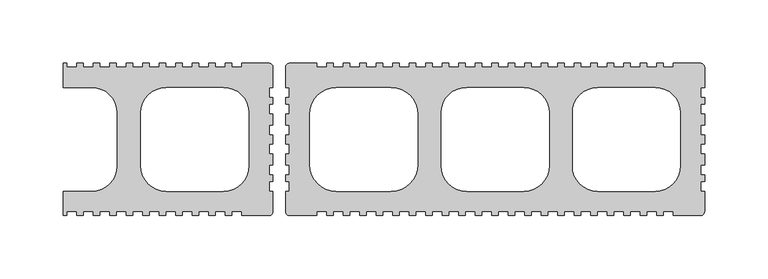
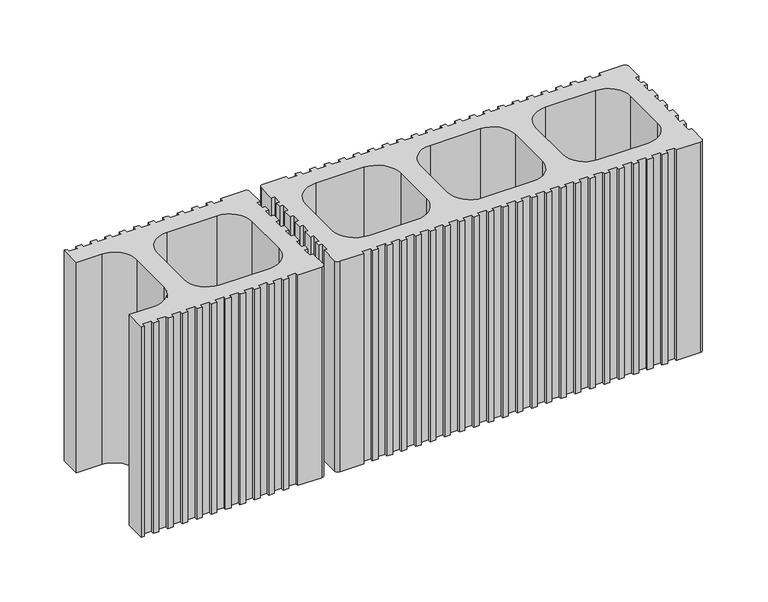
"""IFC4 building model written with IfcOpenShell, lengths in millimetres: plate geometry."""

from ifc_helpers import new_model, si_unit, point, frame_2d, origin, origin_with_axes, place, context, project, spatial, polyline, circle_curve, trimmed, segment, composite_curve, outline, extrude, source, transform, mapped, element, save


def plate_b9c3d11d(model_context):
    return source(origin(), model_context, "Body", "SweptSolid", [
        extrude(outline(composite_curve([segment(polyline([(-114.4998028, -60.0005091), (-114.4998028, -57.0004994), (-122.4998151, -57.0004994), (-122.4998151, -60.0005091), (-127.4998563, -60.0005091), (-127.4998563, -57.0004994), (-135.4998685, -57.0004994), (-135.4998685, -60.0005091), (-140.4998799, -60.0005091), (-140.4998799, -57.0004994), (-148.499922, -57.0004994), (-148.499922, -60.0005091), (-153.4999334, -60.0005091), (-153.4999334, -57.0004994), (-161.4999457, -57.0004994), (-161.4999457, -60.0005091), (-166.499957, -60.0005091), (-166.499957, -57.0004994), (-174.4999991, -57.0004994), (-174.4999991, -60.0005091), (-179.5000105, -60.0005091), (-179.5000105, -57.0004994), (-187.5000377, -57.0004994), (-187.5000377, -60.0005091), (-192.5000491, -60.0005091), (-192.5000491, -57.0004994), (-200.5000762, -57.0004994), (-200.5000762, -60.0005091), (-205.5001025, -60.0005091), (-205.5001025, -57.0004994), (-213.5001297, -57.0004994), (-213.5001297, -60.0005091), (-218.5001411, -60.0005091), (-218.5001411, -57.0004994), (-226.5001683, -57.0004994), (-226.5001683, -60.0005091), (-231.5001797, -60.0005091), (-231.5001797, -57.0004994), (-239.5002068, -57.0004994), (-239.5002068, -60.0005091), (-244.5002182, -60.0005091), (-244.5002182, -57.0004994), (-252.5002454, -57.0004994), (-252.5002454, -60.0005091), (-255.0002548, -60.0005091), (-255.0002548, -41.0005091), (-232.5001435, -41.0005091)]), True, "CONTINUOUS"), segment(trimmed(circle_curve(frame_2d((-232.5001435, -21.0004443)), 20.0000648), [point((-232.5001435, -41.0005091))], [point((-212.5000788, -21.0004443))], True, "CARTESIAN"), True, "CONTINUOUS"), segment(polyline([(-212.5000788, -21.0004443), (-212.5000788, 20.9998113)]), True, "CONTINUOUS"), segment(trimmed(circle_curve(frame_2d((-232.5001435, 20.9998113)), 20.0000648), [point((-212.5000788, 20.9998113))], [point((-232.5001435, 40.9998761))], True, "CARTESIAN"), True, "CONTINUOUS"), segment(polyline([(-232.5001435, 40.9998761), (-255.0002585, 40.9998761), (-255.0002585, 59.9998761), (-252.5002454, 59.9998761), (-252.5002454, 56.9998664), (-244.5002182, 56.9998664), (-244.5002182, 59.9998761), (-239.5002068, 59.9998761), (-239.5002068, 56.9998664), (-231.5001797, 56.9998664), (-231.5001797, 59.9998761), (-226.5001683, 59.9998761), (-226.5001683, 56.9998664), (-218.5001411, 56.9998664), (-218.5001411, 59.9998761), (-213.5001297, 59.9998761), (-213.5001297, 56.9998664), (-205.5001025, 56.9998664), (-205.5001025, 59.9998761), (-200.5000762, 59.9998761), (-200.5000762, 56.9998664), (-192.5000491, 56.9998664), (-192.5000491, 59.9998761), (-187.5000377, 59.9998761), (-187.5000377, 56.9998664), (-179.5000105, 56.9998664), (-179.5000105, 59.9998761), (-174.4999991, 59.9998761), (-174.4999991, 56.9998664), (-166.499957, 56.9998664), (-166.499957, 59.9998761), (-161.4999457, 59.9998761), (-161.4999457, 56.9998664), (-153.4999334, 56.9998664), (-153.4999334, 59.9998761), (-148.499922, 59.9998761), (-148.499922, 56.9998664), (-140.4998799, 56.9998664), (-140.4998799, 59.9998761), (-135.4998685, 59.9998761), (-135.4998685, 56.9998664), (-127.4998563, 56.9998664), (-127.4998563, 59.9998761), (-122.4998151, 59.9998761), (-122.4998151, 56.9998664), (-114.4998028, 56.9998664), (-114.4998028, 59.9998761), (-92.9997238, 59.9998761)]), True, "CONTINUOUS"), segment(trimmed(circle_curve(frame_2d((-92.9997238, 56.999871)), 3.0000051), [point((-92.9997238, 59.9998761))], [point((-89.9997187, 56.999871))], False, "CARTESIAN"), True, "CONTINUOUS"), segment(polyline([(-89.9997187, 56.999871), (-89.9997187, 40.9998209), (-92.9997284, 40.9998209), (-92.9997284, 32.9997937), (-89.9997187, 32.9997937), (-89.9997187, 27.9997749), (-92.9997284, 27.9997749), (-92.9997284, 19.9997477), (-89.9997187, 19.9997477), (-89.9997187, 11.4997254), (-92.9997284, 11.4997254), (-92.9997284, 3.4996982), (-89.9997187, 3.4996982), (-89.9997187, -3.5003274), (-92.9997284, -3.5003274), (-92.9997284, -11.5003508), (-89.9997187, -11.5003508), (-89.9997187, -20.0003806), (-92.9997284, -20.0003806), (-92.9997284, -28.0004041), (-89.9997187, -28.0004041), (-89.9997187, -33.0004211), (-92.9997284, -33.0004211), (-92.9997284, -41.0004482), (-89.9997187, -41.0004482), (-89.9997187, -57.0004994)]), True, "CONTINUOUS"), segment(trimmed(circle_curve(frame_2d((-92.9997284, -57.0004994)), 3.0000097), [point((-89.9997187, -57.0004994))], [point((-92.9997284, -60.0005091))], False, "CARTESIAN"), True, "CONTINUOUS"), segment(polyline([(-92.9997284, -60.0005091), (-114.4998028, -60.0005091)]), True, "CONTINUOUS")], self_intersect=False), holes=[composite_curve([segment(polyline([(-194.0000633, 20.9998113), (-194.0000633, -21.0004443)]), True, "CONTINUOUS"), segment(trimmed(circle_curve(frame_2d((-173.9999985, -21.0004443)), 20.0000648), [point((-194.0000633, -21.0004443))], [point((-173.9999985, -41.0005091))], True, "CARTESIAN"), True, "CONTINUOUS"), segment(polyline([(-173.9999985, -41.0005091), (-128.999776, -41.0005091)]), True, "CONTINUOUS"), segment(trimmed(circle_curve(frame_2d((-128.999776, -21.0004443)), 20.0000648), [point((-128.999776, -41.0005091))], [point((-108.9997112, -21.0004443))], True, "CARTESIAN"), True, "CONTINUOUS"), segment(polyline([(-108.9997112, -21.0004443), (-108.9997112, 20.9998113)]), True, "CONTINUOUS"), segment(trimmed(circle_curve(frame_2d((-128.999776, 20.9998113)), 20.0000648), [point((-108.9997112, 20.9998113))], [point((-128.999776, 40.9998761))], True, "CARTESIAN"), True, "CONTINUOUS"), segment(polyline([(-128.999776, 40.9998761), (-173.9999985, 40.9998761)]), True, "CONTINUOUS"), segment(trimmed(circle_curve(frame_2d((-173.9999985, 20.9998113)), 20.0000648), [point((-173.9999985, 40.9998761))], [point((-194.0000633, 20.9998113))], True, "CARTESIAN"), True, "CONTINUOUS")], self_intersect=False)]), origin_with_axes(), (0.0, 0.0, 1.0), 200.0),
        extrude(outline(composite_curve([segment(polyline([(-55.4998769, -60.0005091), (-76.9999458, -60.0005091)]), True, "CONTINUOUS"), segment(trimmed(circle_curve(frame_2d((-76.9999458, -57.0004994)), 3.0000097), [point((-76.9999458, -60.0005091))], [point((-79.9999555, -57.0004994))], False, "CARTESIAN"), True, "CONTINUOUS"), segment(polyline([(-79.9999555, -57.0004994), (-79.9999555, -41.0004483), (-76.9999457, -41.0004483), (-76.9999457, -33.0004211), (-79.9999555, -33.0004211), (-79.9999555, -28.0004041), (-76.9999457, -28.0004041), (-76.9999457, -20.0003807), (-79.9999555, -20.0003807), (-79.9999555, -11.5003509), (-76.9999457, -11.5003509), (-76.9999457, -3.5003274), (-79.9999555, -3.5003274), (-79.9999555, 3.4996982), (-76.9999457, 3.4996982), (-76.9999457, 11.4997254), (-79.9999555, 11.4997254), (-79.9999555, 19.9997477), (-76.9999457, 19.9997477), (-76.9999457, 27.9997749), (-79.9999555, 27.9997749), (-79.9999555, 32.9997937), (-76.9999457, 32.9997937), (-76.9999457, 40.9998209), (-79.9999555, 40.9998209), (-79.9999555, 56.999871)]), True, "CONTINUOUS"), segment(trimmed(circle_curve(frame_2d((-76.9999503, 56.999871)), 3.0000051), [point((-79.9999555, 56.999871))], [point((-76.9999503, 59.9998761))], False, "CARTESIAN"), True, "CONTINUOUS"), segment(polyline([(-76.9999503, 59.9998761), (-55.4998769, 59.9998761), (-55.4998769, 56.9998664), (-47.4998516, 56.9998664), (-47.4998516, 59.9998761), (-42.4998328, 59.9998761), (-42.4998328, 56.9998664), (-34.4998093, 56.9998664), (-34.4998093, 59.9998761), (-29.4997905, 59.9998761), (-29.4997905, 56.9998664), (-21.499767, 56.9998664), (-21.499767, 59.9998761), (-16.4997482, 59.9998761), (-16.4997482, 56.9998664), (-8.499721, 56.9998664), (-8.499721, 59.9998761), (-3.4997096, 59.9998761), (-3.4997096, 56.9998664), (4.5003175, 56.9998664), (4.5003175, 59.9998761), (9.5003364, 59.9998761), (9.5003364, 56.9998664), (17.5003561, 56.9998664), (17.5003561, 59.9998761), (22.500375, 59.9998761), (22.500375, 56.9998664), (30.5004021, 56.9998664), (30.5004021, 59.9998761), (35.500421, 59.9998761), (35.500421, 56.9998664), (43.5004407, 56.9998664), (43.5004407, 59.9998761), (48.5004595, 59.9998761), (48.5004595, 56.9998664), (56.5004867, 56.9998664), (56.5004867, 59.9998761), (61.5004981, 59.9998761), (61.5004981, 56.9998664), (69.5005253, 56.9998664), (69.5005253, 59.9998761), (74.5005367, 59.9998761), (74.5005367, 56.9998664), (82.5005638, 56.9998664), (82.5005638, 59.9998761), (87.5005901, 59.9998761), (87.5005901, 56.9998664), (95.5006173, 56.9998664), (95.5006173, 59.9998761), (100.5006287, 59.9998761), (100.5006287, 56.9998664), (108.5006559, 56.9998664), (108.5006559, 59.9998761), (113.5006673, 59.9998761), (113.5006673, 56.9998664), (121.5006944, 56.9998664), (121.5006944, 59.9998761), (126.5007058, 59.9998761), (126.5007058, 56.9998664), (134.500733, 56.9998664), (134.500733, 59.9998761), (139.5007593, 59.9998761), (139.5007593, 56.9998664), (147.5007864, 56.9998664), (147.5007864, 59.9998761), (152.5007978, 59.9998761), (152.5007978, 56.9998664), (160.500825, 56.9998664), (160.500825, 59.9998761), (165.5008364, 59.9998761), (165.5008364, 56.9998664), (173.5008785, 56.9998664), (173.5008785, 59.9998761), (178.5008899, 59.9998761), (178.5008899, 56.9998664), (186.5009021, 56.9998664), (186.5009021, 59.9998761), (191.5009135, 59.9998761), (191.5009135, 56.9998664), (199.5009556, 56.9998664), (199.5009556, 59.9998761), (204.500967, 59.9998761), (204.500967, 56.9998664), (212.5009793, 56.9998664), (212.5009793, 59.9998761), (217.5010205, 59.9998761), (217.5010205, 56.9998664), (225.5010327, 56.9998664), (225.5010327, 59.9998761), (247.0011118, 59.9998761)]), True, "CONTINUOUS"), segment(trimmed(circle_curve(frame_2d((247.0011118, 56.999871)), 3.0000051), [point((247.0011118, 59.9998761))], [point((250.0011169, 56.999871))], False, "CARTESIAN"), True, "CONTINUOUS"), segment(polyline([(250.0011169, 56.999871), (250.0011169, 40.9998209), (247.0011071, 40.9998209), (247.0011071, 32.9997937), (250.0011169, 32.9997937), (250.0011169, 27.9997749), (247.0011071, 27.9997749), (247.0011071, 19.9997477), (250.0011169, 19.9997477), (250.0011169, 11.4997254), (247.0011071, 11.4997254), (247.0011071, 3.4996982), (250.0011169, 3.4996982), (250.0011169, -3.5003274), (247.0011071, -3.5003274), (247.0011071, -11.5003509), (250.0011169, -11.5003509), (250.0011169, -20.0003807), (247.0011071, -20.0003807), (247.0011071, -28.0004041), (250.0011169, -28.0004041), (250.0011169, -33.0004211), (247.0011071, -33.0004211), (247.0011071, -41.0004482), (250.0011169, -41.0004482), (250.0011168, -57.0004994)]), True, "CONTINUOUS"), segment(trimmed(circle_curve(frame_2d((247.0011071, -57.0004994)), 3.0000097), [point((250.0011168, -57.0004994))], [point((247.0011071, -60.0005091))], False, "CARTESIAN"), True, "CONTINUOUS"), segment(polyline([(247.0011071, -60.0005091), (225.5010327, -60.0005091), (225.5010327, -57.0004994), (217.5010205, -57.0004994), (217.5010205, -60.0005091), (212.5009793, -60.0005091), (212.5009793, -57.0004994), (204.500967, -57.0004994), (204.500967, -60.0005091), (199.5009556, -60.0005091), (199.5009556, -57.0004994), (191.5009135, -57.0004994), (191.5009135, -60.0005091), (186.5009021, -60.0005091), (186.5009021, -57.0004994), (178.5008899, -57.0004994), (178.5008899, -60.0005091), (173.5008785, -60.0005091), (173.5008785, -57.0004994), (165.5008364, -57.0004994), (165.5008364, -60.0005091), (160.500825, -60.0005091), (160.500825, -57.0004994), (152.5007978, -57.0004994), (152.5007978, -60.0005091), (147.5007864, -60.0005091), (147.5007864, -57.0004994), (139.5007593, -57.0004994), (139.5007593, -60.0005091), (134.500733, -60.0005091), (134.500733, -57.0004994), (126.5007058, -57.0004994), (126.5007058, -60.0005091), (121.5006944, -60.0005091), (121.5006944, -57.0004994), (113.5006673, -57.0004994), (113.5006673, -60.0005091), (108.5006559, -60.0005091), (108.5006559, -57.0004994), (100.5006287, -57.0004994), (100.5006287, -60.0005091), (95.5006173, -60.0005091), (95.5006173, -57.0004994), (87.5005901, -57.0004994), (87.5005901, -60.0005091), (82.5005638, -60.0005091), (82.5005638, -57.0004994), (74.5005367, -57.0004994), (74.5005367, -60.0005091), (69.5005253, -60.0005091), (69.5005253, -57.0004994), (61.5004981, -57.0004994), (61.5004981, -60.0005091), (56.5004867, -60.0005091), (56.5004867, -57.0004994), (48.5004595, -57.0004994), (48.5004595, -60.0005091), (43.5004407, -60.0005091), (43.5004407, -57.0004994), (35.500421, -57.0004994), (35.500421, -60.0005091), (30.5004021, -60.0005091), (30.5004021, -57.0004994), (22.500375, -57.0004994), (22.500375, -60.0005091), (17.5003561, -60.0005091), (17.5003561, -57.0004994), (9.5003364, -57.0004994), (9.5003364, -60.0005091), (4.5003175, -60.0005091), (4.5003175, -57.0004994), (-3.4997096, -57.0004994), (-3.4997096, -60.0005091), (-8.499721, -60.0005091), (-8.499721, -57.0004994), (-16.4997482, -57.0004994), (-16.4997482, -60.0005091), (-21.499767, -60.0005091), (-21.499767, -57.0004994), (-29.4997905, -57.0004994), (-29.4997905, -60.0005091), (-34.4998093, -60.0005091), (-34.4998093, -57.0004994), (-42.4998328, -57.0004994), (-42.4998328, -60.0005091), (-47.4998516, -60.0005091), (-47.4998516, -57.0004994), (-55.4998769, -57.0004994), (-55.4998769, -60.0005091)]), True, "CONTINUOUS")], self_intersect=False), holes=[composite_curve([segment(trimmed(circle_curve(frame_2d((-39.9999555, -20.0005091)), 21.0), [point((-60.9999555, -20.0005091))], [point((-39.9999555, -41.0005091))], True, "CARTESIAN"), True, "CONTINUOUS"), segment(polyline([(-39.9999555, -41.0005091), (3.0003966, -41.0005091)]), True, "CONTINUOUS"), segment(trimmed(circle_curve(frame_2d((3.0003966, -20.0005091)), 21.0), [point((3.0003966, -41.0005091))], [point((24.0003966, -20.0005091))], True, "CARTESIAN"), True, "CONTINUOUS"), segment(polyline([(24.0003966, -20.0005091), (24.0003966, 19.9998761)]), True, "CONTINUOUS"), segment(trimmed(circle_curve(frame_2d((3.0003966, 19.9998761)), 21.0), [point((24.0003966, 19.9998761))], [point((3.0003966, 40.9998761))], True, "CARTESIAN"), True, "CONTINUOUS"), segment(polyline([(3.0003966, 40.9998761), (-39.9999555, 40.9998761)]), True, "CONTINUOUS"), segment(trimmed(circle_curve(frame_2d((-39.9999555, 19.9998761)), 21.0), [point((-39.9999555, 40.9998761))], [point((-60.9999555, 19.9998761))], True, "CARTESIAN"), True, "CONTINUOUS"), segment(polyline([(-60.9999555, 19.9998761), (-60.9999555, -20.0005091)]), True, "CONTINUOUS")], self_intersect=False), composite_curve([segment(trimmed(circle_curve(frame_2d((62.5004694, -21.0004443)), 20.0000648), [point((42.5004046, -21.0004443))], [point((62.5004694, -41.0005091))], True, "CARTESIAN"), True, "CONTINUOUS"), segment(polyline([(62.5004694, -41.0005091), (107.500692, -41.0005091)]), True, "CONTINUOUS"), segment(trimmed(circle_curve(frame_2d((107.500692, -21.0004443)), 20.0000648), [point((107.500692, -41.0005091))], [point((127.5007568, -21.0004443))], True, "CARTESIAN"), True, "CONTINUOUS"), segment(polyline([(127.5007568, -21.0004443), (127.5007568, 20.9998113)]), True, "CONTINUOUS"), segment(trimmed(circle_curve(frame_2d((107.500692, 20.9998113)), 20.0000648), [point((127.5007568, 20.9998113))], [point((107.500692, 40.9998761))], True, "CARTESIAN"), True, "CONTINUOUS"), segment(polyline([(107.500692, 40.9998761), (62.5004694, 40.9998761)]), True, "CONTINUOUS"), segment(trimmed(circle_curve(frame_2d((62.5004694, 20.9998113)), 20.0000648), [point((62.5004694, 40.9998761))], [point((42.5004046, 20.9998113))], True, "CARTESIAN"), True, "CONTINUOUS"), segment(polyline([(42.5004046, 20.9998113), (42.5004046, -21.0004443)]), True, "CONTINUOUS")], self_intersect=False), composite_curve([segment(polyline([(146.0007722, 20.9998113), (146.0007722, -21.0004443)]), True, "CONTINUOUS"), segment(trimmed(circle_curve(frame_2d((166.000837, -21.0004443)), 20.0000648), [point((146.0007722, -21.0004443))], [point((166.000837, -41.0005091))], True, "CARTESIAN"), True, "CONTINUOUS"), segment(polyline([(166.000837, -41.0005091), (211.0010596, -41.0005091)]), True, "CONTINUOUS"), segment(trimmed(circle_curve(frame_2d((211.0010596, -21.0004443)), 20.0000648), [point((211.0010596, -41.0005091))], [point((231.0011243, -21.0004443))], True, "CARTESIAN"), True, "CONTINUOUS"), segment(polyline([(231.0011243, -21.0004443), (231.0011243, 20.9998113)]), True, "CONTINUOUS"), segment(trimmed(circle_curve(frame_2d((211.0010596, 20.9998113)), 20.0000648), [point((231.0011243, 20.9998113))], [point((211.0010596, 40.9998761))], True, "CARTESIAN"), True, "CONTINUOUS"), segment(polyline([(211.0010596, 40.9998761), (166.000837, 40.9998761)]), True, "CONTINUOUS"), segment(trimmed(circle_curve(frame_2d((166.000837, 20.9998113)), 20.0000648), [point((166.000837, 40.9998761))], [point((146.0007722, 20.9998113))], True, "CARTESIAN"), True, "CONTINUOUS")], self_intersect=False)]), origin_with_axes(), (0.0, 0.0, 1.0), 200.0),
    ])


if __name__ == "__main__":
    model = new_model("IFC4")
    model_context = context("Model", 3, world=origin())
    ifc_project = project(units=[si_unit("LENGTHUNIT", "METRE", prefix="MILLI")], contexts=[model_context])
    site = spatial("IfcSite", under=ifc_project)
    building = spatial("IfcBuilding", under=site)
    placement = place(None, origin())
    plate_shape = plate_b9c3d11d(model_context)
    element("IfcPlate", 1, at=placement, inside=building, context=model_context, shape_type="MappedRepresentation", body=[
        mapped(plate_shape, transform((0.0, 0.0, 0.0), x_axis=(1.0, 0.0, 0.0), y_axis=(0.0, 1.0, 0.0), z_axis=(0.0, 0.0, 1.0))),
    ])
    save(model, "model.ifc")
